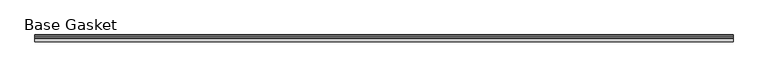
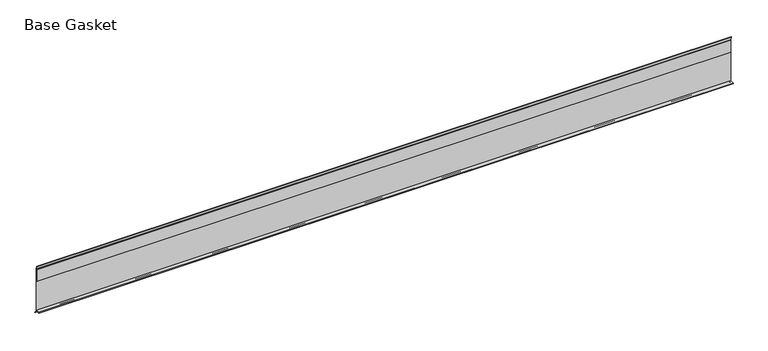
"""IFC4 building model written with IfcOpenShell, lengths in millimetres: furniture geometry, Base Gasket."""

import ifcopenshell
import ifcopenshell.guid

model = None  # the IFC model being written
_history = None  # IfcOwnerHistory: only IFC2X3 demands one
_inside = {}  # id of a spatial element -> (the spatial element, [elements in it])
_under = {}  # id of a project, library or spatial element -> (it, [spatial elements below it])
_declared = {}  # id of a project -> (the project, [libraries it declares])
_typed = {}  # id of a type object -> (the type object, [elements of that type])
_made_of = {}  # id of a material, layer set ... -> (it, [elements and type objects made of it])


def new_model(schema):
    """Start an empty IFC model of exactly this schema.

    Asked for "IFC4X3", IfcOpenShell would pick the latest addendum, in which some entities
    have other attributes; the version numbers below select the first issue.
    IFC2X3 requires an IfcOwnerHistory on every rooted entity: one is made here for all.
    """
    global model, _history
    if schema == "IFC4X3":
        model = ifcopenshell.file(schema_version=(4, 3, 0, 0))
    else:
        model = ifcopenshell.file(schema=schema)
    _inside.clear()
    _under.clear()
    _declared.clear()
    _typed.clear()
    _made_of.clear()
    _history = None
    if model.schema == "IFC2X3":
        org = make("IfcOrganization", Name="unknown")
        user = make(
            "IfcPersonAndOrganization",
            ThePerson=make("IfcPerson", FamilyName="unknown"),
            TheOrganization=org,
        )
        app = make(
            "IfcApplication",
            ApplicationDeveloper=org,
            Version="unknown",
            ApplicationFullName="unknown",
            ApplicationIdentifier="unknown",
        )
        _history = make(
            "IfcOwnerHistory",
            OwningUser=user,
            OwningApplication=app,
            ChangeAction="ADDED",
            CreationDate=0,
        )
    return model


def make(cls, **values):
    """One entity of the class cls with the attributes given. An attribute that is None is left unset."""
    return model.create_entity(
        cls, **{name: value for name, value in values.items() if value is not None}
    )


def rooted(cls, **values):
    """An entity with a GlobalId (a new one), such as an element, a storey or a relation."""
    return make(cls, GlobalId=ifcopenshell.guid.new(), OwnerHistory=_history, **values)


def si_unit(unit_type, name, prefix=None):
    """IfcSIUnit, for example si_unit("LENGTHUNIT", "METRE", prefix="MILLI")."""
    return make("IfcSIUnit", UnitType=unit_type, Prefix=prefix, Name=name)


def assignment(units):
    """IfcUnitAssignment: the units of a project."""
    return None if units is None else make("IfcUnitAssignment", Units=units)


def point(xyz):
    """IfcCartesianPoint."""
    return None if xyz is None else make("IfcCartesianPoint", Coordinates=xyz)


def direction(xyz):
    """IfcDirection."""
    return None if xyz is None else make("IfcDirection", DirectionRatios=xyz)


def frame(location, z_axis=None, x_axis=None):
    """IfcAxis2Placement3D, a coordinate frame: its origin and axes. An axis left out is left unset."""
    return make(
        "IfcAxis2Placement3D",
        Location=point(location),
        Axis=direction(z_axis),
        RefDirection=direction(x_axis),
    )


def origin():
    """The frame at (0, 0, 0) with its axes left unset."""
    return frame((0.0, 0.0, 0.0))


def place(relative_to, where):
    """IfcLocalPlacement: puts the frame where relative to a parent placement (None: the world)."""
    return make(
        "IfcLocalPlacement", PlacementRelTo=relative_to, RelativePlacement=where
    )


def context(
    kind, dimensions, precision=None, world=None, true_north=None, identifier=None
):
    """IfcGeometricRepresentationContext, for example the 3D "Model" context."""
    return make(
        "IfcGeometricRepresentationContext",
        ContextIdentifier=identifier,
        ContextType=kind,
        CoordinateSpaceDimension=dimensions,
        Precision=precision,
        WorldCoordinateSystem=world,
        TrueNorth=true_north,
    )


def project(units=None, contexts=None):
    """IfcProject with its units and contexts."""
    return rooted(
        "IfcProject",
        Name="project",
        RepresentationContexts=contexts,
        UnitsInContext=assignment(units),
    )


def spatial(cls, under=None, at=None, **own):
    """A site, building, storey or space (cls), placed at a placement, below another one or the project."""
    s = rooted(cls, ObjectPlacement=at, **own)
    if under is not None:
        _under.setdefault(under.id(), (under, []))[1].append(s)
    return s


def polyline(points):
    """IfcPolyline through the points."""
    return make("IfcPolyline", Points=[point(p) for p in points])


def outline(outer, holes=None, kind="AREA"):
    """IfcArbitraryClosedProfileDef: a profile drawn as a closed curve; with holes, ...WithVoids."""
    if holes is None:
        return make("IfcArbitraryClosedProfileDef", ProfileType=kind, OuterCurve=outer)
    return make(
        "IfcArbitraryProfileDefWithVoids",
        ProfileType=kind,
        OuterCurve=outer,
        InnerCurves=holes,
    )


def extrude(swept, where, along, depth):
    """IfcExtrudedAreaSolid: the profile swept, set in the frame where, extruded along a direction by depth."""
    return make(
        "IfcExtrudedAreaSolid",
        SweptArea=swept,
        Position=where,
        ExtrudedDirection=direction(along),
        Depth=depth,
    )


def shape(context_of_items, identifier, shape_type, items):
    """IfcShapeRepresentation: the items that make up one representation, for example the "Body"."""
    return make(
        "IfcShapeRepresentation",
        ContextOfItems=context_of_items,
        RepresentationIdentifier=identifier,
        RepresentationType=shape_type,
        Items=items,
    )


def source(mapping_origin, context_of_items, identifier, shape_type, items):
    """IfcRepresentationMap: a shape defined once, which mapped items show again and again."""
    return make(
        "IfcRepresentationMap",
        MappingOrigin=mapping_origin,
        MappedRepresentation=shape(context_of_items, identifier, shape_type, items),
    )


def transform(
    local_origin,
    x_axis=None,
    y_axis=None,
    z_axis=None,
    scale=None,
    scale2=None,
    scale3=None,
    uniform=True,
):
    """IfcCartesianTransformationOperator3D, or its non-uniform kind. x_axis, y_axis, z_axis: its Axis1, 2, 3."""
    if uniform:
        return make(
            "IfcCartesianTransformationOperator3D",
            Axis1=direction(x_axis),
            Axis2=direction(y_axis),
            LocalOrigin=point(local_origin),
            Scale=scale,
            Axis3=direction(z_axis),
        )
    return make(
        "IfcCartesianTransformationOperator3DnonUniform",
        Axis1=direction(x_axis),
        Axis2=direction(y_axis),
        LocalOrigin=point(local_origin),
        Scale=scale,
        Axis3=direction(z_axis),
        Scale2=scale2,
        Scale3=scale3,
    )


def mapped(mapping_source, mapping_target):
    """IfcMappedItem: shows the shape of a source again, moved by a transform."""
    return make(
        "IfcMappedItem", MappingSource=mapping_source, MappingTarget=mapping_target
    )


def made_of(thing, what):
    """Note that an element or type object is made of a material, layer set ...; save() writes the relation."""
    if what is not None:
        _made_of.setdefault(what.id(), (what, []))[1].append(thing)
    return thing


def element(
    cls,
    number,
    at=None,
    inside=None,
    cuts=None,
    type_object=None,
    material=None,
    context=None,
    identifier="Body",
    shape_type=None,
    held_by="IfcProductDefinitionShape",
    body=None,
    shapes=None,
    **own,
):
    """One element of the class cls, such as IfcWall. Its Tag is "e" and its number.

    at: its placement. inside: the storey or other place that contains it. cuts: it is an
    opening in that element (IfcRelVoidsElement). A single representation is given by context,
    identifier, shape_type and body (its items); several are given by shapes. held_by: the class
    of the entity that holds the representations. save() writes the other relations.
    """
    e = rooted(cls, Tag="e%d" % number, ObjectPlacement=at, **own)
    if body is not None:
        shapes = [shape(context, identifier, shape_type, body)]
    if shapes is not None:
        e.Representation = make(held_by, Representations=shapes)
    if inside is not None:
        _inside.setdefault(inside.id(), (inside, []))[1].append(e)
    if cuts is not None:
        rooted(
            "IfcRelVoidsElement", RelatingBuildingElement=cuts, RelatedOpeningElement=e
        )
    if type_object is not None:
        _typed.setdefault(type_object.id(), (type_object, []))[1].append(e)
    return made_of(e, material)


def aggregate(whole, parts):
    """IfcRelAggregates: a whole, such as a stair, and the parts it consists of."""
    return rooted("IfcRelAggregates", RelatingObject=whole, RelatedObjects=parts)


def save(model, path):
    """Write the relations noted so far, then the file.

    IfcRelAggregates (storeys below a building ...), IfcRelContainedInSpatialStructure (elements
    in a storey), IfcRelDefinesByType, IfcRelAssociatesMaterial and IfcRelDeclares: one each for
    every whole, place, type object, material and project.
    """
    for whole, parts in _under.values():
        aggregate(whole, parts)
    for where, things in _inside.values():
        rooted(
            "IfcRelContainedInSpatialStructure",
            RelatedElements=things,
            RelatingStructure=where,
        )
    for kind, things in _typed.values():
        rooted("IfcRelDefinesByType", RelatedObjects=things, RelatingType=kind)
    for what, things in _made_of.values():
        rooted("IfcRelAssociatesMaterial", RelatedObjects=things, RelatingMaterial=what)
    for by, libraries in _declared.values():
        rooted("IfcRelDeclares", RelatingContext=by, RelatedDefinitions=libraries)
    model.write(path)


def base_gasket_c0b47843(model_context):
    return source(origin(), model_context, "Body", "SweptSolid", [
        extrude(outline(polyline([(3.7283812, 98.4568417), (3.7283812, 4.3498477), (7.4222115, 0.6560174), (7.8482342, 0.0), (6.8281054, 0.3520979), (2.2043812, 4.3498477), (2.1334222, 6.3818476), (-6.2405171, 6.3818476), (-6.2405171, 7.9398773), (2.2043812, 7.9398773), (2.2043812, 71.4693447), (1.4106313, 71.4693447), (1.4106313, 96.8693477), (2.2043812, 96.8693477), (2.2043812, 98.4568417), (0.6755308, 104.4162708), (0.6755308, 105.2002997), (1.1891543, 104.587663), (3.7283812, 98.4568417)])), frame((-1527.8982117, 0.0, 0.0), z_axis=(1.0, 0.0, 0.0), x_axis=(0.0, 1.0, 0.0)), (0.0, 0.0, 1.0), 1444.5530404),
    ])


if __name__ == "__main__":
    model = new_model("IFC4")
    model_context = context("Model", 3, world=origin())
    ifc_project = project(units=[si_unit("LENGTHUNIT", "METRE", prefix="MILLI")], contexts=[model_context])
    site = spatial("IfcSite", under=ifc_project)
    building = spatial("IfcBuilding", under=site)
    placement = place(None, origin())
    base_gasket_shape = base_gasket_c0b47843(model_context)
    element("IfcFurniture", 1, ObjectType="Base Gasket", at=placement, inside=building, context=model_context, shape_type="MappedRepresentation", body=[
        mapped(base_gasket_shape, transform((0.0, 0.0, 0.0), x_axis=(1.0, 0.0, 0.0), y_axis=(0.0, 1.0, 0.0), z_axis=(0.0, 0.0, 1.0))),
    ])
    save(model, "model.ifc")
